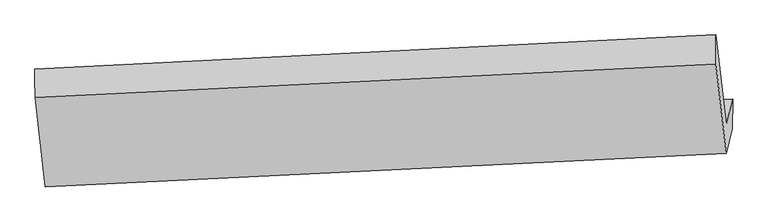
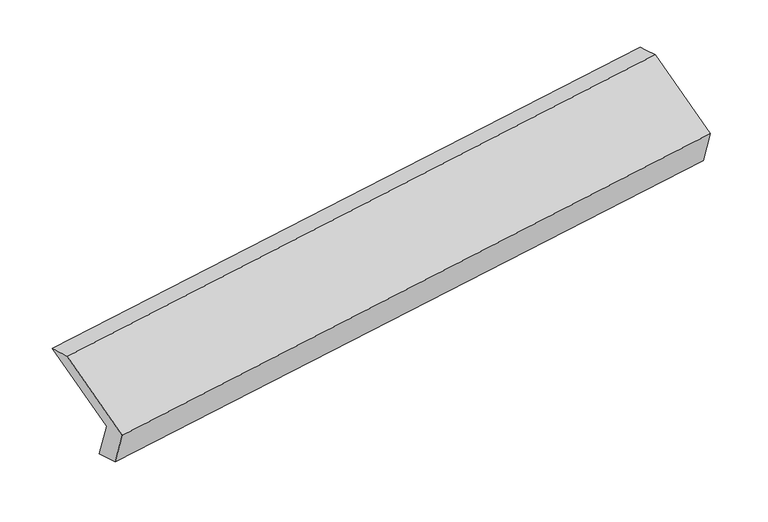
"""IFC4 building model written with IfcOpenShell, lengths in millimetres: proxy geometry."""

import ifcopenshell
import ifcopenshell.guid

model = None  # the IFC model being written
_history = None  # IfcOwnerHistory: only IFC2X3 demands one
_inside = {}  # id of a spatial element -> (the spatial element, [elements in it])
_under = {}  # id of a project, library or spatial element -> (it, [spatial elements below it])
_declared = {}  # id of a project -> (the project, [libraries it declares])
_typed = {}  # id of a type object -> (the type object, [elements of that type])
_made_of = {}  # id of a material, layer set ... -> (it, [elements and type objects made of it])


def new_model(schema):
    """Start an empty IFC model of exactly this schema.

    Asked for "IFC4X3", IfcOpenShell would pick the latest addendum, in which some entities
    have other attributes; the version numbers below select the first issue.
    IFC2X3 requires an IfcOwnerHistory on every rooted entity: one is made here for all.
    """
    global model, _history
    if schema == "IFC4X3":
        model = ifcopenshell.file(schema_version=(4, 3, 0, 0))
    else:
        model = ifcopenshell.file(schema=schema)
    _inside.clear()
    _under.clear()
    _declared.clear()
    _typed.clear()
    _made_of.clear()
    _history = None
    if model.schema == "IFC2X3":
        org = make("IfcOrganization", Name="unknown")
        user = make(
            "IfcPersonAndOrganization",
            ThePerson=make("IfcPerson", FamilyName="unknown"),
            TheOrganization=org,
        )
        app = make(
            "IfcApplication",
            ApplicationDeveloper=org,
            Version="unknown",
            ApplicationFullName="unknown",
            ApplicationIdentifier="unknown",
        )
        _history = make(
            "IfcOwnerHistory",
            OwningUser=user,
            OwningApplication=app,
            ChangeAction="ADDED",
            CreationDate=0,
        )
    return model


def make(cls, **values):
    """One entity of the class cls with the attributes given. An attribute that is None is left unset."""
    return model.create_entity(
        cls, **{name: value for name, value in values.items() if value is not None}
    )


def rooted(cls, **values):
    """An entity with a GlobalId (a new one), such as an element, a storey or a relation."""
    return make(cls, GlobalId=ifcopenshell.guid.new(), OwnerHistory=_history, **values)


def si_unit(unit_type, name, prefix=None):
    """IfcSIUnit, for example si_unit("LENGTHUNIT", "METRE", prefix="MILLI")."""
    return make("IfcSIUnit", UnitType=unit_type, Prefix=prefix, Name=name)


def assignment(units):
    """IfcUnitAssignment: the units of a project."""
    return None if units is None else make("IfcUnitAssignment", Units=units)


def point(xyz):
    """IfcCartesianPoint."""
    return None if xyz is None else make("IfcCartesianPoint", Coordinates=xyz)


def direction(xyz):
    """IfcDirection."""
    return None if xyz is None else make("IfcDirection", DirectionRatios=xyz)


def frame(location, z_axis=None, x_axis=None):
    """IfcAxis2Placement3D, a coordinate frame: its origin and axes. An axis left out is left unset."""
    return make(
        "IfcAxis2Placement3D",
        Location=point(location),
        Axis=direction(z_axis),
        RefDirection=direction(x_axis),
    )


def origin():
    """The frame at (0, 0, 0) with its axes left unset."""
    return frame((0.0, 0.0, 0.0))


def place(relative_to, where):
    """IfcLocalPlacement: puts the frame where relative to a parent placement (None: the world)."""
    return make(
        "IfcLocalPlacement", PlacementRelTo=relative_to, RelativePlacement=where
    )


def context(
    kind, dimensions, precision=None, world=None, true_north=None, identifier=None
):
    """IfcGeometricRepresentationContext, for example the 3D "Model" context."""
    return make(
        "IfcGeometricRepresentationContext",
        ContextIdentifier=identifier,
        ContextType=kind,
        CoordinateSpaceDimension=dimensions,
        Precision=precision,
        WorldCoordinateSystem=world,
        TrueNorth=true_north,
    )


def project(units=None, contexts=None):
    """IfcProject with its units and contexts."""
    return rooted(
        "IfcProject",
        Name="project",
        RepresentationContexts=contexts,
        UnitsInContext=assignment(units),
    )


def spatial(cls, under=None, at=None, **own):
    """A site, building, storey or space (cls), placed at a placement, below another one or the project."""
    s = rooted(cls, ObjectPlacement=at, **own)
    if under is not None:
        _under.setdefault(under.id(), (under, []))[1].append(s)
    return s


def shape(context_of_items, identifier, shape_type, items):
    """IfcShapeRepresentation: the items that make up one representation, for example the "Body"."""
    return make(
        "IfcShapeRepresentation",
        ContextOfItems=context_of_items,
        RepresentationIdentifier=identifier,
        RepresentationType=shape_type,
        Items=items,
    )


def source(mapping_origin, context_of_items, identifier, shape_type, items):
    """IfcRepresentationMap: a shape defined once, which mapped items show again and again."""
    return make(
        "IfcRepresentationMap",
        MappingOrigin=mapping_origin,
        MappedRepresentation=shape(context_of_items, identifier, shape_type, items),
    )


def transform(
    local_origin,
    x_axis=None,
    y_axis=None,
    z_axis=None,
    scale=None,
    scale2=None,
    scale3=None,
    uniform=True,
):
    """IfcCartesianTransformationOperator3D, or its non-uniform kind. x_axis, y_axis, z_axis: its Axis1, 2, 3."""
    if uniform:
        return make(
            "IfcCartesianTransformationOperator3D",
            Axis1=direction(x_axis),
            Axis2=direction(y_axis),
            LocalOrigin=point(local_origin),
            Scale=scale,
            Axis3=direction(z_axis),
        )
    return make(
        "IfcCartesianTransformationOperator3DnonUniform",
        Axis1=direction(x_axis),
        Axis2=direction(y_axis),
        LocalOrigin=point(local_origin),
        Scale=scale,
        Axis3=direction(z_axis),
        Scale2=scale2,
        Scale3=scale3,
    )


def mapped(mapping_source, mapping_target):
    """IfcMappedItem: shows the shape of a source again, moved by a transform."""
    return make(
        "IfcMappedItem", MappingSource=mapping_source, MappingTarget=mapping_target
    )


def made_of(thing, what):
    """Note that an element or type object is made of a material, layer set ...; save() writes the relation."""
    if what is not None:
        _made_of.setdefault(what.id(), (what, []))[1].append(thing)
    return thing


def element(
    cls,
    number,
    at=None,
    inside=None,
    cuts=None,
    type_object=None,
    material=None,
    context=None,
    identifier="Body",
    shape_type=None,
    held_by="IfcProductDefinitionShape",
    body=None,
    shapes=None,
    **own,
):
    """One element of the class cls, such as IfcWall. Its Tag is "e" and its number.

    at: its placement. inside: the storey or other place that contains it. cuts: it is an
    opening in that element (IfcRelVoidsElement). A single representation is given by context,
    identifier, shape_type and body (its items); several are given by shapes. held_by: the class
    of the entity that holds the representations. save() writes the other relations.
    """
    e = rooted(cls, Tag="e%d" % number, ObjectPlacement=at, **own)
    if body is not None:
        shapes = [shape(context, identifier, shape_type, body)]
    if shapes is not None:
        e.Representation = make(held_by, Representations=shapes)
    if inside is not None:
        _inside.setdefault(inside.id(), (inside, []))[1].append(e)
    if cuts is not None:
        rooted(
            "IfcRelVoidsElement", RelatingBuildingElement=cuts, RelatedOpeningElement=e
        )
    if type_object is not None:
        _typed.setdefault(type_object.id(), (type_object, []))[1].append(e)
    return made_of(e, material)


def aggregate(whole, parts):
    """IfcRelAggregates: a whole, such as a stair, and the parts it consists of."""
    return rooted("IfcRelAggregates", RelatingObject=whole, RelatedObjects=parts)


def save(model, path):
    """Write the relations noted so far, then the file.

    IfcRelAggregates (storeys below a building ...), IfcRelContainedInSpatialStructure (elements
    in a storey), IfcRelDefinesByType, IfcRelAssociatesMaterial and IfcRelDeclares: one each for
    every whole, place, type object, material and project.
    """
    for whole, parts in _under.values():
        aggregate(whole, parts)
    for where, things in _inside.values():
        rooted(
            "IfcRelContainedInSpatialStructure",
            RelatedElements=things,
            RelatingStructure=where,
        )
    for kind, things in _typed.values():
        rooted("IfcRelDefinesByType", RelatedObjects=things, RelatingType=kind)
    for what, things in _made_of.values():
        rooted("IfcRelAssociatesMaterial", RelatedObjects=things, RelatingMaterial=what)
    for by, libraries in _declared.values():
        rooted("IfcRelDeclares", RelatingContext=by, RelatedDefinitions=libraries)
    model.write(path)


def plane_surface(at):
    """IfcPlane: the flat surface through the origin of the frame at, square to its z axis."""
    return make("IfcPlane", Position=at)


def spline_surface(u_degree, v_degree, points, u_multiplicities, v_multiplicities, u_knots, v_knots, weights=None):
    """IfcBSplineSurfaceWithKnots; with weights, IfcRationalBSplineSurfaceWithKnots. points: one row for each step in u."""
    own = dict(
        UDegree=u_degree,
        VDegree=v_degree,
        ControlPointsList=[[point(p) for p in row] for row in points],
        SurfaceForm="UNSPECIFIED",
        UClosed=False,
        VClosed=False,
        SelfIntersect=False,
        UMultiplicities=u_multiplicities,
        VMultiplicities=v_multiplicities,
        UKnots=u_knots,
        VKnots=v_knots,
        KnotSpec="UNSPECIFIED",
    )
    if weights is None:
        return make("IfcBSplineSurfaceWithKnots", **own)
    return make("IfcRationalBSplineSurfaceWithKnots", WeightsData=weights, **own)


def advanced_brep(points, edges, surfaces, faces):
    """IfcAdvancedBrep: a solid bounded by faces that lie on surfaces and meet in shared edges.

    An edge is (start, end): straight between two places in points (the first is 0);
    or (start, end, curve); or (start, end, curve, False) where it runs against its curve.
    A face is (place in surfaces, loops), or (place, loops, False) where it looks against
    its surface's normal. A loop lists edges by number (the first is 1), with a minus sign
    where the edge is run from its end to its start. The first loop is the outer one.
    """
    corners = [point(p) for p in points]
    vertices = [make("IfcVertexPoint", VertexGeometry=c) for c in corners]
    made = []
    for start, end, *more in edges:
        made.append(
            make(
                "IfcEdgeCurve",
                EdgeStart=vertices[start],
                EdgeEnd=vertices[end],
                EdgeGeometry=more[0] if more else make("IfcPolyline", Points=[corners[start], corners[end]]),
                SameSense=more[1] if len(more) > 1 else True,
            )
        )
    hull = []
    for where, loops, *sense in faces:
        bounds = []
        for j, loop in enumerate(loops):
            ring = [make("IfcOrientedEdge", EdgeElement=made[abs(k) - 1], Orientation=k > 0) for k in loop]
            bounds.append(
                make(
                    "IfcFaceOuterBound" if j == 0 else "IfcFaceBound",
                    Bound=make("IfcEdgeLoop", EdgeList=ring),
                    Orientation=True,
                )
            )
        hull.append(make("IfcAdvancedFace", Bounds=bounds, FaceSurface=surfaces[where], SameSense=sense[0] if sense else True))
    return make("IfcAdvancedBrep", Outer=make("IfcClosedShell", CfsFaces=hull))


def generic_models_e9ceee06(model_context):
    return source(origin(), model_context, "Body", "AdvancedBrep", [
        advanced_brep(
        [(-5164.1517642, -1604.1938591, 1223.3348203), (-5207.930987, -1778.9546057, 1572.2175899), (-495.8723938, -1551.9732216, 2254.695031), (-452.0931711, -1377.212475, 1905.8122614), (-5164.4722401, -1820.4744934, 1290.5022968), (-453.4532803, -1584.5489351, 1977.329555), (-5206.0215491, -1986.3337253, 1621.6145706), (-496.1175462, -1754.8589243, 2317.3270767), (-5277.825396, -1368.5908052, 1922.0412653), (-567.921393, -1137.1160042, 2617.7537714), (-5278.6952005, -1170.1558599, 1868.2944675), (-567.6762407, -934.2303015, 2555.1217257)],
        [
            (0, 1),
            (1, 2),
            (2, 3),
            (3, 0),
            (4, 0),
            (3, 5),
            (5, 4),
            (6, 4),
            (5, 7),
            (7, 6),
            (8, 6),
            (7, 9),
            (9, 8),
            (10, 8),
            (9, 11),
            (11, 10),
            (1, 10),
            (11, 2),
        ],
        [
            plane_surface(frame((-5186.0413756, -1691.5742324, 1397.7762051), z_axis=(-0.1060365172445534, 0.8943234129639878, 0.4346744644387225), x_axis=(-0.11149568864696673, -0.44507573605091605, 0.888524788957446))),
            spline_surface(1, 1, [[(-5164.4722401, -1820.4744934, 1290.5022968), (-453.4532803, -1584.5489351, 1977.329555)], [(-5164.1517642, -1604.1938591, 1223.3348203), (-452.0931711, -1377.212475, 1905.8122614)]], [2, 2], [2, 2], [0.0, 1.0], [0.0, 1.0]),
            plane_surface(frame((-5185.2468946, -1903.4041093, 1456.0584337), z_axis=(0.10810921784195107, -0.8942254615329419, -0.43436530819553126), x_axis=(0.1114956886469667, 0.44507573605091555, -0.8885247889574462))),
            plane_surface(frame((-5241.9234726, -1677.4622652, 1771.827918), z_axis=(-0.10942202894994006, -0.44498270881150814, 0.88882912218224), x_axis=(0.10396333170144642, -0.8944174290555782, -0.43498171026279353))),
            spline_surface(1, 1, [[(-5278.6952005, -1170.1558599, 1868.2944675), (-567.6762407, -934.2303015, 2555.1217257)], [(-5277.825396, -1368.5908052, 1922.0412653), (-567.921393, -1137.1160042, 2617.7537714)]], [2, 2], [2, 2], [0.0, 1.0], [0.0, 1.0]),
            plane_surface(frame((-5243.3130938, -1474.5552328, 1720.2560287), z_axis=(0.10734790590958761, 0.4448877238978256, -0.8891295407429889), x_axis=(-0.10396333170144716, 0.8944174290555827, 0.43498171026278387))),
            plane_surface(frame((-505.5223375, -1389.989977, 2271.3399036), z_axis=(0.9883118622553682, 0.04387541202475515, 0.14599524356972793), x_axis=(0.10396333170144642, -0.8944174290555782, -0.43498171026279353))),
            plane_surface(frame((-5216.5161895, -1621.4505581, 1583.0008351), z_axis=(-0.9883118622553702, -0.043875412024678026, -0.14599524356973914), x_axis=(0.11149568864701583, 0.44507573605086975, -0.8885247889574631))),
        ],
        [
            (0, [[1, 2, 3, 4]]),
            (1, [[5, -4, 6, 7]]),
            (2, [[8, -7, 9, 10]]),
            (3, [[11, -10, 12, 13]]),
            (4, [[14, -13, 15, 16]]),
            (5, [[17, -16, 18, -2]]),
            (6, [[-12, -9, -6, -3, -18, -15]]),
            (7, [[-1, -5, -8, -11, -14, -17]]),
        ],
    ),
    ])


if __name__ == "__main__":
    model = new_model("IFC4")
    model_context = context("Model", 3, world=origin())
    ifc_project = project(units=[si_unit("LENGTHUNIT", "METRE", prefix="MILLI")], contexts=[model_context])
    site = spatial("IfcSite", under=ifc_project)
    building = spatial("IfcBuilding", under=site)
    placement = place(None, origin())
    generic_models_shape = generic_models_e9ceee06(model_context)
    element("IfcBuildingElementProxy", 1, Name="Generic Models", at=placement, inside=building, context=model_context, shape_type="MappedRepresentation", body=[
        mapped(generic_models_shape, transform((0.0, 0.0, 0.0), x_axis=(1.0, 0.0, 0.0), y_axis=(0.0, 1.0, 0.0), z_axis=(0.0, 0.0, 1.0))),
    ])
    save(model, "model.ifc")
